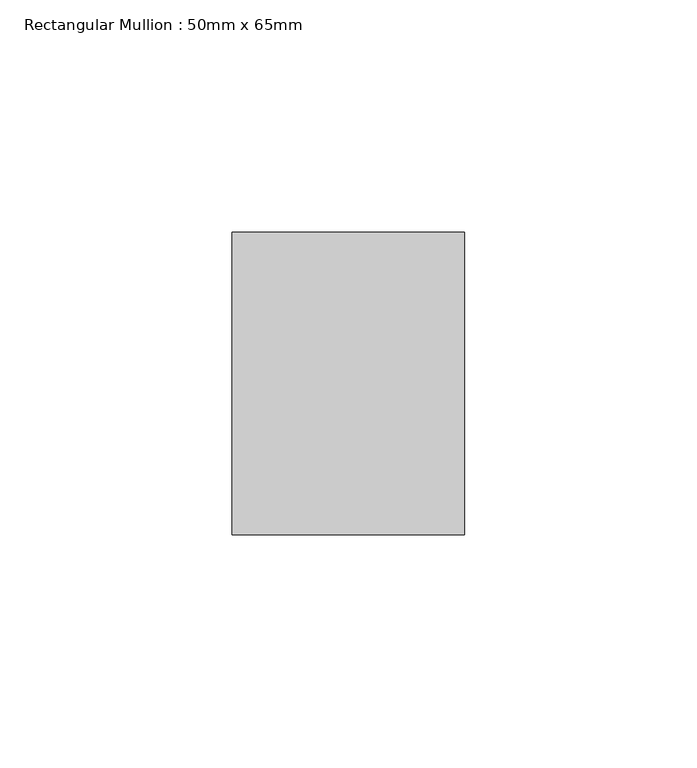
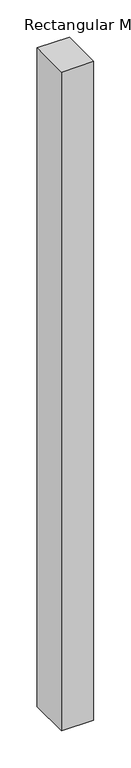
"""IFC4 building model written with IfcOpenShell, lengths in millimetres: member geometry, Rectangular Mullion : 50mm x 65mm."""

from ifc_helpers import new_model, si_unit, frame, origin, place, context, project, spatial, polyline, outline, extrude, source, transform, mapped, element, save


def rectangular_mullion_50mm_x_65mm_e102a61a(model_context):
    return source(origin(), model_context, "Body", "SweptSolid", [
        extrude(outline(polyline([(25.0, 32.5), (25.0, -32.5), (-25.0, -32.5), (-25.0, 32.5), (25.0, 32.5)])), frame((0.0, 0.0, -1078.0448037), z_axis=(0.0, 0.0, 1.0), x_axis=(1.0, 0.0, 0.0)), (0.0, 0.0, 1.0), 1078.0448037),
    ])


if __name__ == "__main__":
    model = new_model("IFC4")
    model_context = context("Model", 3, world=origin())
    ifc_project = project(units=[si_unit("LENGTHUNIT", "METRE", prefix="MILLI")], contexts=[model_context])
    site = spatial("IfcSite", under=ifc_project)
    building = spatial("IfcBuilding", under=site)
    placement = place(None, origin())
    rectangular_mullion_50mm_x_65mm_shape = rectangular_mullion_50mm_x_65mm_e102a61a(model_context)
    element("IfcMember", 1, ObjectType="Rectangular Mullion : 50mm x 65mm", at=placement, inside=building, context=model_context, shape_type="MappedRepresentation", body=[
        mapped(rectangular_mullion_50mm_x_65mm_shape, transform((0.0, 0.0, 0.0), x_axis=(1.0, 0.0, 0.0), y_axis=(0.0, 1.0, 0.0), z_axis=(0.0, 0.0, 1.0))),
    ])
    save(model, "model.ifc")
